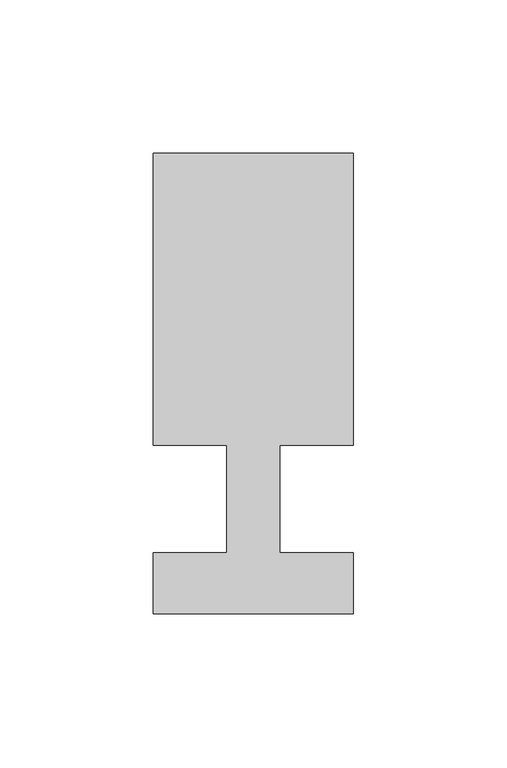
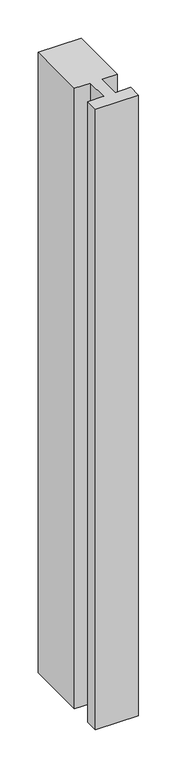
"""IFC4 building model written with IfcOpenShell, lengths in millimetres: member geometry."""

import ifcopenshell
import ifcopenshell.guid

model = None  # the IFC model being written
_history = None  # IfcOwnerHistory: only IFC2X3 demands one
_inside = {}  # id of a spatial element -> (the spatial element, [elements in it])
_under = {}  # id of a project, library or spatial element -> (it, [spatial elements below it])
_declared = {}  # id of a project -> (the project, [libraries it declares])
_typed = {}  # id of a type object -> (the type object, [elements of that type])
_made_of = {}  # id of a material, layer set ... -> (it, [elements and type objects made of it])


def new_model(schema):
    """Start an empty IFC model of exactly this schema.

    Asked for "IFC4X3", IfcOpenShell would pick the latest addendum, in which some entities
    have other attributes; the version numbers below select the first issue.
    IFC2X3 requires an IfcOwnerHistory on every rooted entity: one is made here for all.
    """
    global model, _history
    if schema == "IFC4X3":
        model = ifcopenshell.file(schema_version=(4, 3, 0, 0))
    else:
        model = ifcopenshell.file(schema=schema)
    _inside.clear()
    _under.clear()
    _declared.clear()
    _typed.clear()
    _made_of.clear()
    _history = None
    if model.schema == "IFC2X3":
        org = make("IfcOrganization", Name="unknown")
        user = make(
            "IfcPersonAndOrganization",
            ThePerson=make("IfcPerson", FamilyName="unknown"),
            TheOrganization=org,
        )
        app = make(
            "IfcApplication",
            ApplicationDeveloper=org,
            Version="unknown",
            ApplicationFullName="unknown",
            ApplicationIdentifier="unknown",
        )
        _history = make(
            "IfcOwnerHistory",
            OwningUser=user,
            OwningApplication=app,
            ChangeAction="ADDED",
            CreationDate=0,
        )
    return model


def make(cls, **values):
    """One entity of the class cls with the attributes given. An attribute that is None is left unset."""
    return model.create_entity(
        cls, **{name: value for name, value in values.items() if value is not None}
    )


def rooted(cls, **values):
    """An entity with a GlobalId (a new one), such as an element, a storey or a relation."""
    return make(cls, GlobalId=ifcopenshell.guid.new(), OwnerHistory=_history, **values)


def si_unit(unit_type, name, prefix=None):
    """IfcSIUnit, for example si_unit("LENGTHUNIT", "METRE", prefix="MILLI")."""
    return make("IfcSIUnit", UnitType=unit_type, Prefix=prefix, Name=name)


def assignment(units):
    """IfcUnitAssignment: the units of a project."""
    return None if units is None else make("IfcUnitAssignment", Units=units)


def point(xyz):
    """IfcCartesianPoint."""
    return None if xyz is None else make("IfcCartesianPoint", Coordinates=xyz)


def direction(xyz):
    """IfcDirection."""
    return None if xyz is None else make("IfcDirection", DirectionRatios=xyz)


def frame(location, z_axis=None, x_axis=None):
    """IfcAxis2Placement3D, a coordinate frame: its origin and axes. An axis left out is left unset."""
    return make(
        "IfcAxis2Placement3D",
        Location=point(location),
        Axis=direction(z_axis),
        RefDirection=direction(x_axis),
    )


def origin():
    """The frame at (0, 0, 0) with its axes left unset."""
    return frame((0.0, 0.0, 0.0))


def place(relative_to, where):
    """IfcLocalPlacement: puts the frame where relative to a parent placement (None: the world)."""
    return make(
        "IfcLocalPlacement", PlacementRelTo=relative_to, RelativePlacement=where
    )


def context(
    kind, dimensions, precision=None, world=None, true_north=None, identifier=None
):
    """IfcGeometricRepresentationContext, for example the 3D "Model" context."""
    return make(
        "IfcGeometricRepresentationContext",
        ContextIdentifier=identifier,
        ContextType=kind,
        CoordinateSpaceDimension=dimensions,
        Precision=precision,
        WorldCoordinateSystem=world,
        TrueNorth=true_north,
    )


def project(units=None, contexts=None):
    """IfcProject with its units and contexts."""
    return rooted(
        "IfcProject",
        Name="project",
        RepresentationContexts=contexts,
        UnitsInContext=assignment(units),
    )


def spatial(cls, under=None, at=None, **own):
    """A site, building, storey or space (cls), placed at a placement, below another one or the project."""
    s = rooted(cls, ObjectPlacement=at, **own)
    if under is not None:
        _under.setdefault(under.id(), (under, []))[1].append(s)
    return s


def polyline(points):
    """IfcPolyline through the points."""
    return make("IfcPolyline", Points=[point(p) for p in points])


def outline(outer, holes=None, kind="AREA"):
    """IfcArbitraryClosedProfileDef: a profile drawn as a closed curve; with holes, ...WithVoids."""
    if holes is None:
        return make("IfcArbitraryClosedProfileDef", ProfileType=kind, OuterCurve=outer)
    return make(
        "IfcArbitraryProfileDefWithVoids",
        ProfileType=kind,
        OuterCurve=outer,
        InnerCurves=holes,
    )


def extrude(swept, where, along, depth):
    """IfcExtrudedAreaSolid: the profile swept, set in the frame where, extruded along a direction by depth."""
    return make(
        "IfcExtrudedAreaSolid",
        SweptArea=swept,
        Position=where,
        ExtrudedDirection=direction(along),
        Depth=depth,
    )


def shape(context_of_items, identifier, shape_type, items):
    """IfcShapeRepresentation: the items that make up one representation, for example the "Body"."""
    return make(
        "IfcShapeRepresentation",
        ContextOfItems=context_of_items,
        RepresentationIdentifier=identifier,
        RepresentationType=shape_type,
        Items=items,
    )


def source(mapping_origin, context_of_items, identifier, shape_type, items):
    """IfcRepresentationMap: a shape defined once, which mapped items show again and again."""
    return make(
        "IfcRepresentationMap",
        MappingOrigin=mapping_origin,
        MappedRepresentation=shape(context_of_items, identifier, shape_type, items),
    )


def transform(
    local_origin,
    x_axis=None,
    y_axis=None,
    z_axis=None,
    scale=None,
    scale2=None,
    scale3=None,
    uniform=True,
):
    """IfcCartesianTransformationOperator3D, or its non-uniform kind. x_axis, y_axis, z_axis: its Axis1, 2, 3."""
    if uniform:
        return make(
            "IfcCartesianTransformationOperator3D",
            Axis1=direction(x_axis),
            Axis2=direction(y_axis),
            LocalOrigin=point(local_origin),
            Scale=scale,
            Axis3=direction(z_axis),
        )
    return make(
        "IfcCartesianTransformationOperator3DnonUniform",
        Axis1=direction(x_axis),
        Axis2=direction(y_axis),
        LocalOrigin=point(local_origin),
        Scale=scale,
        Axis3=direction(z_axis),
        Scale2=scale2,
        Scale3=scale3,
    )


def mapped(mapping_source, mapping_target):
    """IfcMappedItem: shows the shape of a source again, moved by a transform."""
    return make(
        "IfcMappedItem", MappingSource=mapping_source, MappingTarget=mapping_target
    )


def made_of(thing, what):
    """Note that an element or type object is made of a material, layer set ...; save() writes the relation."""
    if what is not None:
        _made_of.setdefault(what.id(), (what, []))[1].append(thing)
    return thing


def element(
    cls,
    number,
    at=None,
    inside=None,
    cuts=None,
    type_object=None,
    material=None,
    context=None,
    identifier="Body",
    shape_type=None,
    held_by="IfcProductDefinitionShape",
    body=None,
    shapes=None,
    **own,
):
    """One element of the class cls, such as IfcWall. Its Tag is "e" and its number.

    at: its placement. inside: the storey or other place that contains it. cuts: it is an
    opening in that element (IfcRelVoidsElement). A single representation is given by context,
    identifier, shape_type and body (its items); several are given by shapes. held_by: the class
    of the entity that holds the representations. save() writes the other relations.
    """
    e = rooted(cls, Tag="e%d" % number, ObjectPlacement=at, **own)
    if body is not None:
        shapes = [shape(context, identifier, shape_type, body)]
    if shapes is not None:
        e.Representation = make(held_by, Representations=shapes)
    if inside is not None:
        _inside.setdefault(inside.id(), (inside, []))[1].append(e)
    if cuts is not None:
        rooted(
            "IfcRelVoidsElement", RelatingBuildingElement=cuts, RelatedOpeningElement=e
        )
    if type_object is not None:
        _typed.setdefault(type_object.id(), (type_object, []))[1].append(e)
    return made_of(e, material)


def aggregate(whole, parts):
    """IfcRelAggregates: a whole, such as a stair, and the parts it consists of."""
    return rooted("IfcRelAggregates", RelatingObject=whole, RelatedObjects=parts)


def save(model, path):
    """Write the relations noted so far, then the file.

    IfcRelAggregates (storeys below a building ...), IfcRelContainedInSpatialStructure (elements
    in a storey), IfcRelDefinesByType, IfcRelAssociatesMaterial and IfcRelDeclares: one each for
    every whole, place, type object, material and project.
    """
    for whole, parts in _under.values():
        aggregate(whole, parts)
    for where, things in _inside.values():
        rooted(
            "IfcRelContainedInSpatialStructure",
            RelatedElements=things,
            RelatingStructure=where,
        )
    for kind, things in _typed.values():
        rooted("IfcRelDefinesByType", RelatedObjects=things, RelatingType=kind)
    for what, things in _made_of.values():
        rooted("IfcRelAssociatesMaterial", RelatedObjects=things, RelatingMaterial=what)
    for by, libraries in _declared.values():
        rooted("IfcRelDeclares", RelatingContext=by, RelatedDefinitions=libraries)
    model.write(path)


def member_7a31987a(model_context):
    return source(origin(), model_context, "Body", "SweptSolid", [
        extrude(outline(polyline([(0.0, -37.0), (-65.0, -37.0), (-65.0, -17.0), (-41.1875, -17.0), (-41.1875, 18.0), (-65.0, 18.0), (-65.0, 113.0), (0.0, 113.0), (0.0, 18.0), (-23.8125, 18.0), (-23.8125, -17.0), (0.0, -17.0), (0.0, -37.0)])), frame((0.0, 0.0, -992.1964286), z_axis=(0.0, 0.0, 1.0), x_axis=(1.0, 0.0, 0.0)), (0.0, 0.0, 1.0), 992.1964286),
    ])


if __name__ == "__main__":
    model = new_model("IFC4")
    model_context = context("Model", 3, world=origin())
    ifc_project = project(units=[si_unit("LENGTHUNIT", "METRE", prefix="MILLI")], contexts=[model_context])
    site = spatial("IfcSite", under=ifc_project)
    building = spatial("IfcBuilding", under=site)
    placement = place(None, origin())
    member_shape = member_7a31987a(model_context)
    element("IfcMember", 1, at=placement, inside=building, context=model_context, shape_type="MappedRepresentation", body=[
        mapped(member_shape, transform((0.0, 0.0, 0.0), x_axis=(1.0, 0.0, 0.0), y_axis=(0.0, 1.0, 0.0), z_axis=(0.0, 0.0, 1.0))),
    ])
    save(model, "model.ifc")
